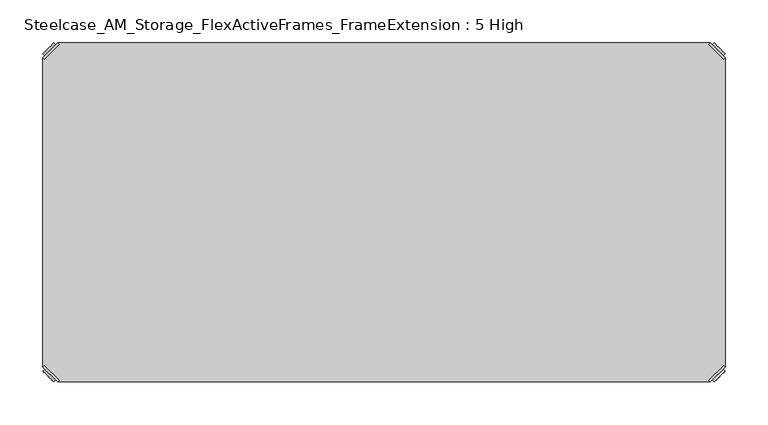
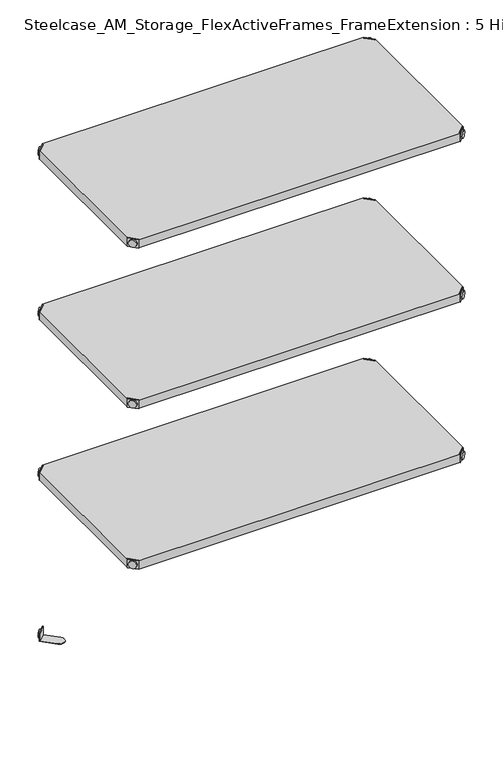
"""IFC4 building model written with IfcOpenShell, lengths in millimetres: furniture geometry, Steelcase_AM_Storage_FlexActiveFrames_FrameExtension : 5 High."""

from ifc_helpers import new_model, si_unit, frame, origin, place, context, project, spatial, polyline, circle_curve, outline, extrude, source, transform, mapped, element, save
from ifc_brep_helpers import plane_surface, cylinder_surface, advanced_brep


def steelcase_am_storage_flexactiveframes_frameextension_5_high_a3974acb(model_context):
    return source(origin(), model_context, "Body", "SolidModel", [
        advanced_brep(
        [(2.54, 380.2870969, 1725.93), (4.3360512, 378.4910456, 1725.93), (21.5589544, 395.7139488, 1725.93), (19.7629031, 397.51, 1725.93), (19.7629031, 397.51, 1704.594), (2.54, 380.2870969, 1704.594), (4.8652723, 382.6123691, 1715.77), (17.4376309, 395.1847277, 1715.77), (30.2920522, 352.5350447, 1705.61), (47.5149553, 369.7579478, 1705.61), (21.5589544, 395.7139488, 1705.61), (4.3360512, 378.4910456, 1705.61), (30.2920522, 352.5350447, 1704.594), (47.5149553, 369.7579478, 1704.594), (15.1227513, 397.4996073, 1715.77), (2.5503927, 384.9272487, 1715.77)],
        [
            (0, 1),
            (1, 2),
            (2, 3),
            (3, 0),
            (3, 4),
            (4, 5),
            (5, 0),
            (6, 7, circle_curve(frame((11.1514516, 388.8985484, 1715.77), z_axis=(0.7071067811865446, -0.7071067811865505, 0.0), x_axis=(-0.7071067811865505, -0.7071067811865446, 0.0)), 8.89)),
            (7, 6, circle_curve(frame((11.1514516, 388.8985484, 1715.77), z_axis=(0.7071067811865446, -0.7071067811865505, 0.0), x_axis=(-0.7071067811865505, -0.7071067811865446, 0.0)), 8.89)),
            (8, 9, circle_curve(frame((38.9035037, 361.1464963, 1705.61), z_axis=(0.0, 0.0, 1.0), x_axis=(1.0, 0.0, 0.0)), 12.1784316)),
            (9, 10),
            (10, 11),
            (11, 8),
            (12, 5),
            (4, 13),
            (13, 12, circle_curve(frame((38.9035037, 361.1464963, 1704.594), z_axis=(0.0, 0.0, -1.0), x_axis=(1.0, 0.0, 0.0)), 12.1784316)),
            (14, 15, circle_curve(frame((8.836572, 391.213428, 1715.77), z_axis=(-0.7071067811865446, 0.7071067811865505, 0.0), x_axis=(-0.7071067811865505, -0.7071067811865446, 0.0)), 8.89)),
            (15, 14, circle_curve(frame((8.836572, 391.213428, 1715.77), z_axis=(-0.7071067811865446, 0.7071067811865505, 0.0), x_axis=(-0.7071067811865505, -0.7071067811865446, 0.0)), 8.89)),
            (14, 7),
            (6, 15),
            (1, 11),
            (10, 2),
            (8, 12),
            (13, 9),
        ],
        [
            plane_surface(frame((-19.6579872, 402.485084, 1725.93), z_axis=(0.0, 0.0, 1.0000000000000002), x_axis=(0.7071067811865436, -0.7071067811865516, 0.0))),
            plane_surface(frame((19.7629031, 397.51, 1725.93), z_axis=(-0.7071067811865447, 0.7071067811865503, 0.0), x_axis=(0.0, 0.0, -1.0))),
            plane_surface(frame((51.0819353, 361.1464963, 1705.61), z_axis=(0.0, 0.0, 1.0), x_axis=(0.0, 1.0, 0.0))),
            plane_surface(frame((51.0819353, 361.1464963, 1704.594), z_axis=(0.0, 0.0, -1.0), x_axis=(0.0, -1.0, 0.0))),
            plane_surface(frame((2.5503927, 384.9272487, 1715.77), z_axis=(-0.7071067811865446, 0.7071067811865505, 0.0), x_axis=(0.0, 0.0, 1.0))),
            cylinder_surface(frame((11.1514516, 388.8985484, 1715.77), z_axis=(-0.7071067811865446, 0.7071067811865505, 0.0), x_axis=(-0.7071067811865505, -0.7071067811865446, 0.0)), 8.89),
            plane_surface(frame((4.3360512, 378.4910456, 1725.93), z_axis=(0.7071067811865447, -0.7071067811865503, 0.0), x_axis=(0.0, 0.0, -1.0))),
            cylinder_surface(frame((38.9035037, 361.1464963, 1704.594), z_axis=(0.0, 0.0, 1.0), x_axis=(1.0, 0.0, 0.0)), 12.1784316),
            plane_surface(frame((2.54, 380.2870969, 1725.93), z_axis=(-0.7071067811865516, -0.7071067811865436, 0.0), x_axis=(0.0, 0.0, -1.0))),
            plane_surface(frame((21.5589544, 395.7139488, 1725.93), z_axis=(0.7071067811865513, 0.7071067811865437, 0.0), x_axis=(0.0, 0.0, -1.0))),
        ],
        [
            (0, [[1, 2, 3, 4]]),
            (1, [[-4, 5, 6, 7], [8, 9]]),
            (2, [[10, 11, 12, 13]]),
            (3, [[14, -6, 15, 16]]),
            (4, [[17, 18]]),
            (5, [[-17, 19, -8, 20]]),
            (5, [[-18, -20, -9, -19]]),
            (6, [[-2, 21, -12, 22]]),
            (7, [[-10, 23, -16, 24]]),
            (8, [[-1, -7, -14, -23, -13, -21]]),
            (9, [[-3, -22, -11, -24, -15, -5]]),
        ],
    ),
        advanced_brep(
        [(797.56, 380.2870969, 1725.93), (780.3370969, 397.51, 1725.93), (778.5410456, 395.7139488, 1725.93), (795.7639488, 378.4910456, 1725.93), (797.56, 380.2870969, 1704.594), (780.3370969, 397.51, 1704.594), (795.2347277, 382.6123691, 1715.77), (782.6623691, 395.1847277, 1715.77), (769.8079478, 352.5350447, 1705.61), (795.7639488, 378.4910456, 1705.61), (778.5410456, 395.7139488, 1705.61), (752.5850447, 369.7579478, 1705.61), (769.8079478, 352.5350447, 1704.594), (752.5850447, 369.7579478, 1704.594), (784.9772487, 397.4996073, 1715.77), (797.5496073, 384.9272487, 1715.77)],
        [
            (0, 1),
            (1, 2),
            (2, 3),
            (3, 0),
            (0, 4),
            (4, 5),
            (5, 1),
            (6, 7, circle_curve(frame((788.9485484, 388.8985484, 1715.77), z_axis=(-0.7071067811865446, -0.7071067811865505, 0.0), x_axis=(0.7071067811865505, -0.7071067811865446, 0.0)), 8.89)),
            (7, 6, circle_curve(frame((788.9485484, 388.8985484, 1715.77), z_axis=(-0.7071067811865446, -0.7071067811865505, 0.0), x_axis=(0.7071067811865505, -0.7071067811865446, 0.0)), 8.89)),
            (8, 9),
            (9, 10),
            (10, 11),
            (11, 8, circle_curve(frame((761.1964963, 361.1464963, 1705.61), z_axis=(0.0, 0.0, 1.0), x_axis=(-1.0, 0.0, 0.0)), 12.1784316)),
            (12, 13, circle_curve(frame((761.1964963, 361.1464963, 1704.594), z_axis=(0.0, 0.0, -1.0), x_axis=(-1.0, 0.0, 0.0)), 12.1784316)),
            (13, 5),
            (4, 12),
            (14, 15, circle_curve(frame((791.263428, 391.213428, 1715.77), z_axis=(0.7071067811865446, 0.7071067811865505, 0.0), x_axis=(0.7071067811865505, -0.7071067811865446, 0.0)), 8.89)),
            (15, 14, circle_curve(frame((791.263428, 391.213428, 1715.77), z_axis=(0.7071067811865446, 0.7071067811865505, 0.0), x_axis=(0.7071067811865505, -0.7071067811865446, 0.0)), 8.89)),
            (15, 6),
            (7, 14),
            (2, 10),
            (9, 3),
            (11, 13),
            (12, 8),
        ],
        [
            plane_surface(frame((819.7579872, 402.485084, 1725.93), z_axis=(0.0, 0.0, 1.0000000000000002), x_axis=(-0.7071067811865436, -0.7071067811865516, 0.0))),
            plane_surface(frame((780.3370969, 397.51, 1725.93), z_axis=(0.7071067811865447, 0.7071067811865503, 0.0), x_axis=(0.0, 0.0, -1.0))),
            plane_surface(frame((749.0180647, 361.1464963, 1705.61), z_axis=(0.0, 0.0, 1.0), x_axis=(0.0, 1.0, 0.0))),
            plane_surface(frame((749.0180647, 361.1464963, 1704.594), z_axis=(0.0, 0.0, -1.0), x_axis=(0.0, -1.0, 0.0))),
            plane_surface(frame((797.5496073, 384.9272487, 1715.77), z_axis=(0.7071067811865446, 0.7071067811865505, 0.0), x_axis=(0.0, 0.0, 1.0))),
            cylinder_surface(frame((788.9485484, 388.8985484, 1715.77), z_axis=(0.7071067811865446, 0.7071067811865505, 0.0), x_axis=(0.7071067811865505, -0.7071067811865446, 0.0)), 8.89),
            plane_surface(frame((795.7639488, 378.4910456, 1725.93), z_axis=(-0.7071067811865447, -0.7071067811865503, 0.0), x_axis=(0.0, 0.0, -1.0))),
            cylinder_surface(frame((761.1964963, 361.1464963, 1704.594), z_axis=(0.0, 0.0, 1.0), x_axis=(-1.0, 0.0, 0.0)), 12.1784316),
            plane_surface(frame((797.56, 380.2870969, 1725.93), z_axis=(0.7071067811865516, -0.7071067811865436, 0.0), x_axis=(0.0, 0.0, -1.0))),
            plane_surface(frame((778.5410456, 395.7139488, 1725.93), z_axis=(-0.7071067811865513, 0.7071067811865437, 0.0), x_axis=(0.0, 0.0, -1.0))),
        ],
        [
            (0, [[1, 2, 3, 4]]),
            (1, [[5, 6, 7, -1], [8, 9]]),
            (2, [[10, 11, 12, 13]]),
            (3, [[14, 15, -6, 16]]),
            (4, [[17, 18]]),
            (5, [[19, -9, 20, -18]]),
            (5, [[-20, -8, -19, -17]]),
            (6, [[21, -11, 22, -3]]),
            (7, [[23, -14, 24, -13]]),
            (8, [[-22, -10, -24, -16, -5, -4]]),
            (9, [[-7, -15, -23, -12, -21, -2]]),
        ],
    ),
        advanced_brep(
        [(797.56, 19.7629031, 1725.93), (795.7639488, 21.5589544, 1725.93), (778.5410456, 4.3360512, 1725.93), (780.3370969, 2.54, 1725.93), (780.3370969, 2.54, 1704.594), (797.56, 19.7629031, 1704.594), (795.2347277, 17.4376309, 1715.77), (782.6623691, 4.8652723, 1715.77), (769.8079478, 47.5149553, 1705.61), (752.5850447, 30.2920522, 1705.61), (778.5410456, 4.3360512, 1705.61), (795.7639488, 21.5589544, 1705.61), (769.8079478, 47.5149553, 1704.594), (752.5850447, 30.2920522, 1704.594), (784.9772487, 2.5503927, 1715.77), (797.5496073, 15.1227513, 1715.77)],
        [
            (0, 1),
            (1, 2),
            (2, 3),
            (3, 0),
            (3, 4),
            (4, 5),
            (5, 0),
            (6, 7, circle_curve(frame((788.9485484, 11.1514516, 1715.77), z_axis=(-0.7071067811865469, 0.7071067811865481, 0.0), x_axis=(0.7071067811865481, 0.7071067811865469, 0.0)), 8.89)),
            (7, 6, circle_curve(frame((788.9485484, 11.1514516, 1715.77), z_axis=(-0.7071067811865469, 0.7071067811865481, 0.0), x_axis=(0.7071067811865481, 0.7071067811865469, 0.0)), 8.89)),
            (8, 9, circle_curve(frame((761.1964963, 38.9035037, 1705.61), z_axis=(0.0, 0.0, 1.0), x_axis=(-1.0, 0.0, 0.0)), 12.1784316)),
            (9, 10),
            (10, 11),
            (11, 8),
            (12, 5),
            (4, 13),
            (13, 12, circle_curve(frame((761.1964963, 38.9035037, 1704.594), z_axis=(0.0, 0.0, -1.0), x_axis=(-1.0, 0.0, 0.0)), 12.1784316)),
            (14, 15, circle_curve(frame((791.263428, 8.836572, 1715.77), z_axis=(0.7071067811865469, -0.7071067811865481, 0.0), x_axis=(0.7071067811865481, 0.7071067811865469, 0.0)), 8.89)),
            (15, 14, circle_curve(frame((791.263428, 8.836572, 1715.77), z_axis=(0.7071067811865469, -0.7071067811865481, 0.0), x_axis=(0.7071067811865481, 0.7071067811865469, 0.0)), 8.89)),
            (14, 7),
            (6, 15),
            (1, 11),
            (10, 2),
            (8, 12),
            (13, 9),
        ],
        [
            plane_surface(frame((819.7579872, -2.435084, 1725.93), z_axis=(0.0, 0.0, 1.0000000000000002), x_axis=(-0.7071067811865459, 0.7071067811865492, 0.0))),
            plane_surface(frame((780.3370969, 2.54, 1725.93), z_axis=(0.707106781186547, -0.707106781186548, 0.0), x_axis=(0.0, 0.0, -1.0))),
            plane_surface(frame((749.0180647, 38.9035037, 1705.61), z_axis=(0.0, 0.0, 1.0), x_axis=(0.0, -1.0, 0.0))),
            plane_surface(frame((749.0180647, 38.9035037, 1704.594), z_axis=(0.0, 0.0, -1.0), x_axis=(0.0, 1.0, 0.0))),
            plane_surface(frame((797.5496073, 15.1227513, 1715.77), z_axis=(0.7071067811865469, -0.7071067811865481, 0.0), x_axis=(0.0, 0.0, 1.0))),
            cylinder_surface(frame((788.9485484, 11.1514516, 1715.77), z_axis=(0.7071067811865469, -0.7071067811865481, 0.0), x_axis=(0.7071067811865481, 0.7071067811865469, 0.0)), 8.89),
            plane_surface(frame((795.7639488, 21.5589544, 1725.93), z_axis=(-0.707106781186547, 0.707106781186548, 0.0), x_axis=(0.0, 0.0, -1.0))),
            cylinder_surface(frame((761.1964963, 38.9035037, 1704.594), z_axis=(0.0, 0.0, 1.0), x_axis=(-1.0, 0.0, 0.0)), 12.1784316),
            plane_surface(frame((797.56, 19.7629031, 1725.93), z_axis=(0.7071067811865492, 0.7071067811865459, 0.0), x_axis=(0.0, 0.0, -1.0))),
            plane_surface(frame((778.5410456, 4.3360512, 1725.93), z_axis=(-0.707106781186549, -0.707106781186546, 0.0), x_axis=(0.0, 0.0, -1.0))),
        ],
        [
            (0, [[1, 2, 3, 4]]),
            (1, [[-4, 5, 6, 7], [8, 9]]),
            (2, [[10, 11, 12, 13]]),
            (3, [[14, -6, 15, 16]]),
            (4, [[17, 18]]),
            (5, [[-17, 19, -8, 20]]),
            (5, [[-18, -20, -9, -19]]),
            (6, [[-2, 21, -12, 22]]),
            (7, [[-10, 23, -16, 24]]),
            (8, [[-1, -7, -14, -23, -13, -21]]),
            (9, [[-3, -22, -11, -24, -15, -5]]),
        ],
    ),
        advanced_brep(
        [(2.54, 19.7629031, 1725.93), (19.7629031, 2.54, 1725.93), (21.5589544, 4.3360512, 1725.93), (4.3360512, 21.5589544, 1725.93), (2.54, 19.7629031, 1704.594), (19.7629031, 2.54, 1704.594), (4.8652723, 17.4376309, 1715.77), (17.4376309, 4.8652723, 1715.77), (30.2920522, 47.5149553, 1705.61), (4.3360512, 21.5589544, 1705.61), (21.5589544, 4.3360512, 1705.61), (47.5149553, 30.2920522, 1705.61), (30.2920522, 47.5149553, 1704.594), (47.5149553, 30.2920522, 1704.594), (15.1227513, 2.5503927, 1715.77), (2.5503927, 15.1227513, 1715.77)],
        [
            (0, 1),
            (1, 2),
            (2, 3),
            (3, 0),
            (0, 4),
            (4, 5),
            (5, 1),
            (6, 7, circle_curve(frame((11.1514516, 11.1514516, 1715.77), z_axis=(0.7071067811865469, 0.7071067811865481, 0.0), x_axis=(-0.7071067811865481, 0.7071067811865469, 0.0)), 8.89)),
            (7, 6, circle_curve(frame((11.1514516, 11.1514516, 1715.77), z_axis=(0.7071067811865469, 0.7071067811865481, 0.0), x_axis=(-0.7071067811865481, 0.7071067811865469, 0.0)), 8.89)),
            (8, 9),
            (9, 10),
            (10, 11),
            (11, 8, circle_curve(frame((38.9035037, 38.9035037, 1705.61), z_axis=(0.0, 0.0, 1.0), x_axis=(1.0, 0.0, 0.0)), 12.1784316)),
            (12, 13, circle_curve(frame((38.9035037, 38.9035037, 1704.594), z_axis=(0.0, 0.0, -1.0), x_axis=(1.0, 0.0, 0.0)), 12.1784316)),
            (13, 5),
            (4, 12),
            (14, 15, circle_curve(frame((8.836572, 8.836572, 1715.77), z_axis=(-0.7071067811865469, -0.7071067811865481, 0.0), x_axis=(-0.7071067811865481, 0.7071067811865469, 0.0)), 8.89)),
            (15, 14, circle_curve(frame((8.836572, 8.836572, 1715.77), z_axis=(-0.7071067811865469, -0.7071067811865481, 0.0), x_axis=(-0.7071067811865481, 0.7071067811865469, 0.0)), 8.89)),
            (15, 6),
            (7, 14),
            (2, 10),
            (9, 3),
            (11, 13),
            (12, 8),
        ],
        [
            plane_surface(frame((-19.6579872, -2.435084, 1725.93), z_axis=(0.0, 0.0, 1.0000000000000002), x_axis=(0.7071067811865459, 0.7071067811865492, 0.0))),
            plane_surface(frame((19.7629031, 2.54, 1725.93), z_axis=(-0.707106781186547, -0.707106781186548, 0.0), x_axis=(0.0, 0.0, -1.0))),
            plane_surface(frame((51.0819353, 38.9035037, 1705.61), z_axis=(0.0, 0.0, 1.0), x_axis=(0.0, -1.0, 0.0))),
            plane_surface(frame((51.0819353, 38.9035037, 1704.594), z_axis=(0.0, 0.0, -1.0), x_axis=(0.0, 1.0, 0.0))),
            plane_surface(frame((2.5503927, 15.1227513, 1715.77), z_axis=(-0.7071067811865469, -0.7071067811865481, 0.0), x_axis=(0.0, 0.0, 1.0))),
            cylinder_surface(frame((11.1514516, 11.1514516, 1715.77), z_axis=(-0.7071067811865469, -0.7071067811865481, 0.0), x_axis=(-0.7071067811865481, 0.7071067811865469, 0.0)), 8.89),
            plane_surface(frame((4.3360512, 21.5589544, 1725.93), z_axis=(0.707106781186547, 0.707106781186548, 0.0), x_axis=(0.0, 0.0, -1.0))),
            cylinder_surface(frame((38.9035037, 38.9035037, 1704.594), z_axis=(0.0, 0.0, 1.0), x_axis=(1.0, 0.0, 0.0)), 12.1784316),
            plane_surface(frame((2.54, 19.7629031, 1725.93), z_axis=(-0.7071067811865492, 0.7071067811865459, 0.0), x_axis=(0.0, 0.0, -1.0))),
            plane_surface(frame((21.5589544, 4.3360512, 1725.93), z_axis=(0.707106781186549, -0.707106781186546, 0.0), x_axis=(0.0, 0.0, -1.0))),
        ],
        [
            (0, [[1, 2, 3, 4]]),
            (1, [[5, 6, 7, -1], [8, 9]]),
            (2, [[10, 11, 12, 13]]),
            (3, [[14, 15, -6, 16]]),
            (4, [[17, 18]]),
            (5, [[19, -9, 20, -18]]),
            (5, [[-20, -8, -19, -17]]),
            (6, [[21, -11, 22, -3]]),
            (7, [[23, -14, 24, -13]]),
            (8, [[-22, -10, -24, -16, -5, -4]]),
            (9, [[-7, -15, -23, -12, -21, -2]]),
        ],
    ),
        extrude(outline(polyline([(19.7629031, 2.54), (21.5589544, 4.3360512), (4.3360512, 21.5589544), (2.54, 19.7629031), (2.54, 380.2870969), (4.3360512, 378.4910456), (21.5589544, 395.7139488), (19.7629031, 397.51), (780.3370969, 397.51), (778.5410456, 395.7139488), (795.7639488, 378.4910456), (797.56, 380.2870969), (797.56, 19.7629031), (795.7639488, 21.5589544), (778.5410456, 4.3360512), (780.3370969, 2.54), (19.7629031, 2.54)])), frame((0.0, 0.0, 1705.61), z_axis=(0.0, 0.0, 1.0), x_axis=(1.0, 0.0, 0.0)), (0.0, 0.0, 1.0), 20.32),
        advanced_brep(
        [(2.54, 380.2870969, 1324.61), (4.3360512, 378.4910456, 1324.61), (21.5589544, 395.7139488, 1324.61), (19.7629031, 397.51, 1324.61), (19.7629031, 397.51, 1303.274), (2.54, 380.2870969, 1303.274), (4.8652723, 382.6123691, 1314.45), (17.4376309, 395.1847277, 1314.45), (30.2920522, 352.5350447, 1304.29), (47.5149553, 369.7579478, 1304.29), (21.5589544, 395.7139488, 1304.29), (4.3360512, 378.4910456, 1304.29), (30.2920522, 352.5350447, 1303.274), (47.5149553, 369.7579478, 1303.274), (15.1227513, 397.4996073, 1314.45), (2.5503927, 384.9272487, 1314.45)],
        [
            (0, 1),
            (1, 2),
            (2, 3),
            (3, 0),
            (3, 4),
            (4, 5),
            (5, 0),
            (6, 7, circle_curve(frame((11.1514516, 388.8985484, 1314.45), z_axis=(0.7071067811865446, -0.7071067811865505, 0.0), x_axis=(-0.7071067811865505, -0.7071067811865446, 0.0)), 8.89)),
            (7, 6, circle_curve(frame((11.1514516, 388.8985484, 1314.45), z_axis=(0.7071067811865446, -0.7071067811865505, 0.0), x_axis=(-0.7071067811865505, -0.7071067811865446, 0.0)), 8.89)),
            (8, 9, circle_curve(frame((38.9035037, 361.1464963, 1304.29), z_axis=(0.0, 0.0, 1.0), x_axis=(1.0, 0.0, 0.0)), 12.1784316)),
            (9, 10),
            (10, 11),
            (11, 8),
            (12, 5),
            (4, 13),
            (13, 12, circle_curve(frame((38.9035037, 361.1464963, 1303.274), z_axis=(0.0, 0.0, -1.0), x_axis=(1.0, 0.0, 0.0)), 12.1784316)),
            (14, 15, circle_curve(frame((8.836572, 391.213428, 1314.45), z_axis=(-0.7071067811865446, 0.7071067811865505, 0.0), x_axis=(-0.7071067811865505, -0.7071067811865446, 0.0)), 8.89)),
            (15, 14, circle_curve(frame((8.836572, 391.213428, 1314.45), z_axis=(-0.7071067811865446, 0.7071067811865505, 0.0), x_axis=(-0.7071067811865505, -0.7071067811865446, 0.0)), 8.89)),
            (14, 7),
            (6, 15),
            (1, 11),
            (10, 2),
            (8, 12),
            (13, 9),
        ],
        [
            plane_surface(frame((-19.6579872, 402.485084, 1324.61), z_axis=(0.0, 0.0, 1.0000000000000002), x_axis=(0.7071067811865436, -0.7071067811865516, 0.0))),
            plane_surface(frame((19.7629031, 397.51, 1324.61), z_axis=(-0.7071067811865447, 0.7071067811865503, 0.0), x_axis=(0.0, 0.0, -1.0))),
            plane_surface(frame((51.0819353, 361.1464963, 1304.29), z_axis=(0.0, 0.0, 1.0), x_axis=(0.0, 1.0, 0.0))),
            plane_surface(frame((51.0819353, 361.1464963, 1303.274), z_axis=(0.0, 0.0, -1.0), x_axis=(0.0, -1.0, 0.0))),
            plane_surface(frame((2.5503927, 384.9272487, 1314.45), z_axis=(-0.7071067811865446, 0.7071067811865505, 0.0), x_axis=(0.0, 0.0, 1.0))),
            cylinder_surface(frame((11.1514516, 388.8985484, 1314.45), z_axis=(-0.7071067811865446, 0.7071067811865505, 0.0), x_axis=(-0.7071067811865505, -0.7071067811865446, 0.0)), 8.89),
            plane_surface(frame((4.3360512, 378.4910456, 1324.61), z_axis=(0.7071067811865447, -0.7071067811865503, 0.0), x_axis=(0.0, 0.0, -1.0))),
            cylinder_surface(frame((38.9035037, 361.1464963, 1303.274), z_axis=(0.0, 0.0, 1.0), x_axis=(1.0, 0.0, 0.0)), 12.1784316),
            plane_surface(frame((2.54, 380.2870969, 1324.61), z_axis=(-0.7071067811865516, -0.7071067811865436, 0.0), x_axis=(0.0, 0.0, -1.0))),
            plane_surface(frame((21.5589544, 395.7139488, 1324.61), z_axis=(0.7071067811865513, 0.7071067811865437, 0.0), x_axis=(0.0, 0.0, -1.0))),
        ],
        [
            (0, [[1, 2, 3, 4]]),
            (1, [[-4, 5, 6, 7], [8, 9]]),
            (2, [[10, 11, 12, 13]]),
            (3, [[14, -6, 15, 16]]),
            (4, [[17, 18]]),
            (5, [[-17, 19, -8, 20]]),
            (5, [[-18, -20, -9, -19]]),
            (6, [[-2, 21, -12, 22]]),
            (7, [[-10, 23, -16, 24]]),
            (8, [[-1, -7, -14, -23, -13, -21]]),
            (9, [[-3, -22, -11, -24, -15, -5]]),
        ],
    ),
        advanced_brep(
        [(797.56, 380.2870969, 1324.61), (780.3370969, 397.51, 1324.61), (778.5410456, 395.7139488, 1324.61), (795.7639488, 378.4910456, 1324.61), (797.56, 380.2870969, 1303.274), (780.3370969, 397.51, 1303.274), (795.2347277, 382.6123691, 1314.45), (782.6623691, 395.1847277, 1314.45), (769.8079478, 352.5350447, 1304.29), (795.7639488, 378.4910456, 1304.29), (778.5410456, 395.7139488, 1304.29), (752.5850447, 369.7579478, 1304.29), (769.8079478, 352.5350447, 1303.274), (752.5850447, 369.7579478, 1303.274), (784.9772487, 397.4996073, 1314.45), (797.5496073, 384.9272487, 1314.45)],
        [
            (0, 1),
            (1, 2),
            (2, 3),
            (3, 0),
            (0, 4),
            (4, 5),
            (5, 1),
            (6, 7, circle_curve(frame((788.9485484, 388.8985484, 1314.45), z_axis=(-0.7071067811865446, -0.7071067811865505, 0.0), x_axis=(0.7071067811865505, -0.7071067811865446, 0.0)), 8.89)),
            (7, 6, circle_curve(frame((788.9485484, 388.8985484, 1314.45), z_axis=(-0.7071067811865446, -0.7071067811865505, 0.0), x_axis=(0.7071067811865505, -0.7071067811865446, 0.0)), 8.89)),
            (8, 9),
            (9, 10),
            (10, 11),
            (11, 8, circle_curve(frame((761.1964963, 361.1464963, 1304.29), z_axis=(0.0, 0.0, 1.0), x_axis=(-1.0, 0.0, 0.0)), 12.1784316)),
            (12, 13, circle_curve(frame((761.1964963, 361.1464963, 1303.274), z_axis=(0.0, 0.0, -1.0), x_axis=(-1.0, 0.0, 0.0)), 12.1784316)),
            (13, 5),
            (4, 12),
            (14, 15, circle_curve(frame((791.263428, 391.213428, 1314.45), z_axis=(0.7071067811865446, 0.7071067811865505, 0.0), x_axis=(0.7071067811865505, -0.7071067811865446, 0.0)), 8.89)),
            (15, 14, circle_curve(frame((791.263428, 391.213428, 1314.45), z_axis=(0.7071067811865446, 0.7071067811865505, 0.0), x_axis=(0.7071067811865505, -0.7071067811865446, 0.0)), 8.89)),
            (15, 6),
            (7, 14),
            (2, 10),
            (9, 3),
            (11, 13),
            (12, 8),
        ],
        [
            plane_surface(frame((819.7579872, 402.485084, 1324.61), z_axis=(0.0, 0.0, 1.0000000000000002), x_axis=(-0.7071067811865436, -0.7071067811865516, 0.0))),
            plane_surface(frame((780.3370969, 397.51, 1324.61), z_axis=(0.7071067811865447, 0.7071067811865503, 0.0), x_axis=(0.0, 0.0, -1.0))),
            plane_surface(frame((749.0180647, 361.1464963, 1304.29), z_axis=(0.0, 0.0, 1.0), x_axis=(0.0, 1.0, 0.0))),
            plane_surface(frame((749.0180647, 361.1464963, 1303.274), z_axis=(0.0, 0.0, -1.0), x_axis=(0.0, -1.0, 0.0))),
            plane_surface(frame((797.5496073, 384.9272487, 1314.45), z_axis=(0.7071067811865446, 0.7071067811865505, 0.0), x_axis=(0.0, 0.0, 1.0))),
            cylinder_surface(frame((788.9485484, 388.8985484, 1314.45), z_axis=(0.7071067811865446, 0.7071067811865505, 0.0), x_axis=(0.7071067811865505, -0.7071067811865446, 0.0)), 8.89),
            plane_surface(frame((795.7639488, 378.4910456, 1324.61), z_axis=(-0.7071067811865447, -0.7071067811865503, 0.0), x_axis=(0.0, 0.0, -1.0))),
            cylinder_surface(frame((761.1964963, 361.1464963, 1303.274), z_axis=(0.0, 0.0, 1.0), x_axis=(-1.0, 0.0, 0.0)), 12.1784316),
            plane_surface(frame((797.56, 380.2870969, 1324.61), z_axis=(0.7071067811865516, -0.7071067811865436, 0.0), x_axis=(0.0, 0.0, -1.0))),
            plane_surface(frame((778.5410456, 395.7139488, 1324.61), z_axis=(-0.7071067811865513, 0.7071067811865437, 0.0), x_axis=(0.0, 0.0, -1.0))),
        ],
        [
            (0, [[1, 2, 3, 4]]),
            (1, [[5, 6, 7, -1], [8, 9]]),
            (2, [[10, 11, 12, 13]]),
            (3, [[14, 15, -6, 16]]),
            (4, [[17, 18]]),
            (5, [[19, -9, 20, -18]]),
            (5, [[-20, -8, -19, -17]]),
            (6, [[21, -11, 22, -3]]),
            (7, [[23, -14, 24, -13]]),
            (8, [[-22, -10, -24, -16, -5, -4]]),
            (9, [[-7, -15, -23, -12, -21, -2]]),
        ],
    ),
        advanced_brep(
        [(797.56, 19.7629031, 1324.61), (795.7639488, 21.5589544, 1324.61), (778.5410456, 4.3360512, 1324.61), (780.3370969, 2.54, 1324.61), (780.3370969, 2.54, 1303.274), (797.56, 19.7629031, 1303.274), (795.2347277, 17.4376309, 1314.45), (782.6623691, 4.8652723, 1314.45), (769.8079478, 47.5149553, 1304.29), (752.5850447, 30.2920522, 1304.29), (778.5410456, 4.3360512, 1304.29), (795.7639488, 21.5589544, 1304.29), (769.8079478, 47.5149553, 1303.274), (752.5850447, 30.2920522, 1303.274), (784.9772487, 2.5503927, 1314.45), (797.5496073, 15.1227513, 1314.45)],
        [
            (0, 1),
            (1, 2),
            (2, 3),
            (3, 0),
            (3, 4),
            (4, 5),
            (5, 0),
            (6, 7, circle_curve(frame((788.9485484, 11.1514516, 1314.45), z_axis=(-0.7071067811865469, 0.7071067811865481, 0.0), x_axis=(0.7071067811865481, 0.7071067811865469, 0.0)), 8.89)),
            (7, 6, circle_curve(frame((788.9485484, 11.1514516, 1314.45), z_axis=(-0.7071067811865469, 0.7071067811865481, 0.0), x_axis=(0.7071067811865481, 0.7071067811865469, 0.0)), 8.89)),
            (8, 9, circle_curve(frame((761.1964963, 38.9035037, 1304.29), z_axis=(0.0, 0.0, 1.0), x_axis=(-1.0, 0.0, 0.0)), 12.1784316)),
            (9, 10),
            (10, 11),
            (11, 8),
            (12, 5),
            (4, 13),
            (13, 12, circle_curve(frame((761.1964963, 38.9035037, 1303.274), z_axis=(0.0, 0.0, -1.0), x_axis=(-1.0, 0.0, 0.0)), 12.1784316)),
            (14, 15, circle_curve(frame((791.263428, 8.836572, 1314.45), z_axis=(0.7071067811865469, -0.7071067811865481, 0.0), x_axis=(0.7071067811865481, 0.7071067811865469, 0.0)), 8.89)),
            (15, 14, circle_curve(frame((791.263428, 8.836572, 1314.45), z_axis=(0.7071067811865469, -0.7071067811865481, 0.0), x_axis=(0.7071067811865481, 0.7071067811865469, 0.0)), 8.89)),
            (14, 7),
            (6, 15),
            (1, 11),
            (10, 2),
            (8, 12),
            (13, 9),
        ],
        [
            plane_surface(frame((819.7579872, -2.435084, 1324.61), z_axis=(0.0, 0.0, 1.0000000000000002), x_axis=(-0.7071067811865459, 0.7071067811865492, 0.0))),
            plane_surface(frame((780.3370969, 2.54, 1324.61), z_axis=(0.707106781186547, -0.707106781186548, 0.0), x_axis=(0.0, 0.0, -1.0))),
            plane_surface(frame((749.0180647, 38.9035037, 1304.29), z_axis=(0.0, 0.0, 1.0), x_axis=(0.0, -1.0, 0.0))),
            plane_surface(frame((749.0180647, 38.9035037, 1303.274), z_axis=(0.0, 0.0, -1.0), x_axis=(0.0, 1.0, 0.0))),
            plane_surface(frame((797.5496073, 15.1227513, 1314.45), z_axis=(0.7071067811865469, -0.7071067811865481, 0.0), x_axis=(0.0, 0.0, 1.0))),
            cylinder_surface(frame((788.9485484, 11.1514516, 1314.45), z_axis=(0.7071067811865469, -0.7071067811865481, 0.0), x_axis=(0.7071067811865481, 0.7071067811865469, 0.0)), 8.89),
            plane_surface(frame((795.7639488, 21.5589544, 1324.61), z_axis=(-0.707106781186547, 0.707106781186548, 0.0), x_axis=(0.0, 0.0, -1.0))),
            cylinder_surface(frame((761.1964963, 38.9035037, 1303.274), z_axis=(0.0, 0.0, 1.0), x_axis=(-1.0, 0.0, 0.0)), 12.1784316),
            plane_surface(frame((797.56, 19.7629031, 1324.61), z_axis=(0.7071067811865492, 0.7071067811865459, 0.0), x_axis=(0.0, 0.0, -1.0))),
            plane_surface(frame((778.5410456, 4.3360512, 1324.61), z_axis=(-0.707106781186549, -0.707106781186546, 0.0), x_axis=(0.0, 0.0, -1.0))),
        ],
        [
            (0, [[1, 2, 3, 4]]),
            (1, [[-4, 5, 6, 7], [8, 9]]),
            (2, [[10, 11, 12, 13]]),
            (3, [[14, -6, 15, 16]]),
            (4, [[17, 18]]),
            (5, [[-17, 19, -8, 20]]),
            (5, [[-18, -20, -9, -19]]),
            (6, [[-2, 21, -12, 22]]),
            (7, [[-10, 23, -16, 24]]),
            (8, [[-1, -7, -14, -23, -13, -21]]),
            (9, [[-3, -22, -11, -24, -15, -5]]),
        ],
    ),
        advanced_brep(
        [(2.54, 19.7629031, 1324.61), (19.7629031, 2.54, 1324.61), (21.5589544, 4.3360512, 1324.61), (4.3360512, 21.5589544, 1324.61), (2.54, 19.7629031, 1303.274), (19.7629031, 2.54, 1303.274), (4.8652723, 17.4376309, 1314.45), (17.4376309, 4.8652723, 1314.45), (30.2920522, 47.5149553, 1304.29), (4.3360512, 21.5589544, 1304.29), (21.5589544, 4.3360512, 1304.29), (47.5149553, 30.2920522, 1304.29), (30.2920522, 47.5149553, 1303.274), (47.5149553, 30.2920522, 1303.274), (15.1227513, 2.5503927, 1314.45), (2.5503927, 15.1227513, 1314.45)],
        [
            (0, 1),
            (1, 2),
            (2, 3),
            (3, 0),
            (0, 4),
            (4, 5),
            (5, 1),
            (6, 7, circle_curve(frame((11.1514516, 11.1514516, 1314.45), z_axis=(0.7071067811865469, 0.7071067811865481, 0.0), x_axis=(-0.7071067811865481, 0.7071067811865469, 0.0)), 8.89)),
            (7, 6, circle_curve(frame((11.1514516, 11.1514516, 1314.45), z_axis=(0.7071067811865469, 0.7071067811865481, 0.0), x_axis=(-0.7071067811865481, 0.7071067811865469, 0.0)), 8.89)),
            (8, 9),
            (9, 10),
            (10, 11),
            (11, 8, circle_curve(frame((38.9035037, 38.9035037, 1304.29), z_axis=(0.0, 0.0, 1.0), x_axis=(1.0, 0.0, 0.0)), 12.1784316)),
            (12, 13, circle_curve(frame((38.9035037, 38.9035037, 1303.274), z_axis=(0.0, 0.0, -1.0), x_axis=(1.0, 0.0, 0.0)), 12.1784316)),
            (13, 5),
            (4, 12),
            (14, 15, circle_curve(frame((8.836572, 8.836572, 1314.45), z_axis=(-0.7071067811865469, -0.7071067811865481, 0.0), x_axis=(-0.7071067811865481, 0.7071067811865469, 0.0)), 8.89)),
            (15, 14, circle_curve(frame((8.836572, 8.836572, 1314.45), z_axis=(-0.7071067811865469, -0.7071067811865481, 0.0), x_axis=(-0.7071067811865481, 0.7071067811865469, 0.0)), 8.89)),
            (15, 6),
            (7, 14),
            (2, 10),
            (9, 3),
            (11, 13),
            (12, 8),
        ],
        [
            plane_surface(frame((-19.6579872, -2.435084, 1324.61), z_axis=(0.0, 0.0, 1.0000000000000002), x_axis=(0.7071067811865459, 0.7071067811865492, 0.0))),
            plane_surface(frame((19.7629031, 2.54, 1324.61), z_axis=(-0.707106781186547, -0.707106781186548, 0.0), x_axis=(0.0, 0.0, -1.0))),
            plane_surface(frame((51.0819353, 38.9035037, 1304.29), z_axis=(0.0, 0.0, 1.0), x_axis=(0.0, -1.0, 0.0))),
            plane_surface(frame((51.0819353, 38.9035037, 1303.274), z_axis=(0.0, 0.0, -1.0), x_axis=(0.0, 1.0, 0.0))),
            plane_surface(frame((2.5503927, 15.1227513, 1314.45), z_axis=(-0.7071067811865469, -0.7071067811865481, 0.0), x_axis=(0.0, 0.0, 1.0))),
            cylinder_surface(frame((11.1514516, 11.1514516, 1314.45), z_axis=(-0.7071067811865469, -0.7071067811865481, 0.0), x_axis=(-0.7071067811865481, 0.7071067811865469, 0.0)), 8.89),
            plane_surface(frame((4.3360512, 21.5589544, 1324.61), z_axis=(0.707106781186547, 0.707106781186548, 0.0), x_axis=(0.0, 0.0, -1.0))),
            cylinder_surface(frame((38.9035037, 38.9035037, 1303.274), z_axis=(0.0, 0.0, 1.0), x_axis=(1.0, 0.0, 0.0)), 12.1784316),
            plane_surface(frame((2.54, 19.7629031, 1324.61), z_axis=(-0.7071067811865492, 0.7071067811865459, 0.0), x_axis=(0.0, 0.0, -1.0))),
            plane_surface(frame((21.5589544, 4.3360512, 1324.61), z_axis=(0.707106781186549, -0.707106781186546, 0.0), x_axis=(0.0, 0.0, -1.0))),
        ],
        [
            (0, [[1, 2, 3, 4]]),
            (1, [[5, 6, 7, -1], [8, 9]]),
            (2, [[10, 11, 12, 13]]),
            (3, [[14, 15, -6, 16]]),
            (4, [[17, 18]]),
            (5, [[19, -9, 20, -18]]),
            (5, [[-20, -8, -19, -17]]),
            (6, [[21, -11, 22, -3]]),
            (7, [[23, -14, 24, -13]]),
            (8, [[-22, -10, -24, -16, -5, -4]]),
            (9, [[-7, -15, -23, -12, -21, -2]]),
        ],
    ),
        extrude(outline(polyline([(19.7629031, 2.54), (21.5589544, 4.3360512), (4.3360512, 21.5589544), (2.54, 19.7629031), (2.54, 380.2870969), (4.3360512, 378.4910456), (21.5589544, 395.7139488), (19.7629031, 397.51), (780.3370969, 397.51), (778.5410456, 395.7139488), (795.7639488, 378.4910456), (797.56, 380.2870969), (797.56, 19.7629031), (795.7639488, 21.5589544), (778.5410456, 4.3360512), (780.3370969, 2.54), (19.7629031, 2.54)])), frame((0.0, 0.0, 1304.29), z_axis=(0.0, 0.0, 1.0), x_axis=(1.0, 0.0, 0.0)), (0.0, 0.0, 1.0), 20.32),
        advanced_brep(
        [(2.54, 380.2870969, 923.29), (4.3360512, 378.4910456, 923.29), (21.5589544, 395.7139488, 923.29), (19.7629031, 397.51, 923.29), (19.7629031, 397.51, 901.954), (2.54, 380.2870969, 901.954), (4.8652723, 382.6123691, 913.13), (17.4376309, 395.1847277, 913.13), (30.2920522, 352.5350447, 902.97), (47.5149553, 369.7579478, 902.97), (21.5589544, 395.7139488, 902.97), (4.3360512, 378.4910456, 902.97), (30.2920522, 352.5350447, 901.954), (47.5149553, 369.7579478, 901.954), (15.1227513, 397.4996073, 913.13), (2.5503927, 384.9272487, 913.13)],
        [
            (0, 1),
            (1, 2),
            (2, 3),
            (3, 0),
            (3, 4),
            (4, 5),
            (5, 0),
            (6, 7, circle_curve(frame((11.1514516, 388.8985484, 913.13), z_axis=(0.7071067811865446, -0.7071067811865505, 0.0), x_axis=(-0.7071067811865505, -0.7071067811865446, 0.0)), 8.89)),
            (7, 6, circle_curve(frame((11.1514516, 388.8985484, 913.13), z_axis=(0.7071067811865446, -0.7071067811865505, 0.0), x_axis=(-0.7071067811865505, -0.7071067811865446, 0.0)), 8.89)),
            (8, 9, circle_curve(frame((38.9035037, 361.1464963, 902.97), z_axis=(0.0, 0.0, 1.0), x_axis=(1.0, 0.0, 0.0)), 12.1784316)),
            (9, 10),
            (10, 11),
            (11, 8),
            (12, 5),
            (4, 13),
            (13, 12, circle_curve(frame((38.9035037, 361.1464963, 901.954), z_axis=(0.0, 0.0, -1.0), x_axis=(1.0, 0.0, 0.0)), 12.1784316)),
            (14, 15, circle_curve(frame((8.836572, 391.213428, 913.13), z_axis=(-0.7071067811865446, 0.7071067811865505, 0.0), x_axis=(-0.7071067811865505, -0.7071067811865446, 0.0)), 8.89)),
            (15, 14, circle_curve(frame((8.836572, 391.213428, 913.13), z_axis=(-0.7071067811865446, 0.7071067811865505, 0.0), x_axis=(-0.7071067811865505, -0.7071067811865446, 0.0)), 8.89)),
            (14, 7),
            (6, 15),
            (1, 11),
            (10, 2),
            (8, 12),
            (13, 9),
        ],
        [
            plane_surface(frame((-19.6579872, 402.485084, 923.29), z_axis=(0.0, 0.0, 1.0000000000000002), x_axis=(0.7071067811865436, -0.7071067811865516, 0.0))),
            plane_surface(frame((19.7629031, 397.51, 923.29), z_axis=(-0.7071067811865447, 0.7071067811865503, 0.0), x_axis=(0.0, 0.0, -1.0))),
            plane_surface(frame((51.0819353, 361.1464963, 902.97), z_axis=(0.0, 0.0, 1.0), x_axis=(0.0, 1.0, 0.0))),
            plane_surface(frame((51.0819353, 361.1464963, 901.954), z_axis=(0.0, 0.0, -1.0), x_axis=(0.0, -1.0, 0.0))),
            plane_surface(frame((2.5503927, 384.9272487, 913.13), z_axis=(-0.7071067811865446, 0.7071067811865505, 0.0), x_axis=(0.0, 0.0, 1.0))),
            cylinder_surface(frame((11.1514516, 388.8985484, 913.13), z_axis=(-0.7071067811865446, 0.7071067811865505, 0.0), x_axis=(-0.7071067811865505, -0.7071067811865446, 0.0)), 8.89),
            plane_surface(frame((4.3360512, 378.4910456, 923.29), z_axis=(0.7071067811865447, -0.7071067811865503, 0.0), x_axis=(0.0, 0.0, -1.0))),
            cylinder_surface(frame((38.9035037, 361.1464963, 901.954), z_axis=(0.0, 0.0, 1.0), x_axis=(1.0, 0.0, 0.0)), 12.1784316),
            plane_surface(frame((2.54, 380.2870969, 923.29), z_axis=(-0.7071067811865516, -0.7071067811865436, 0.0), x_axis=(0.0, 0.0, -1.0))),
            plane_surface(frame((21.5589544, 395.7139488, 923.29), z_axis=(0.7071067811865513, 0.7071067811865437, 0.0), x_axis=(0.0, 0.0, -1.0))),
        ],
        [
            (0, [[1, 2, 3, 4]]),
            (1, [[-4, 5, 6, 7], [8, 9]]),
            (2, [[10, 11, 12, 13]]),
            (3, [[14, -6, 15, 16]]),
            (4, [[17, 18]]),
            (5, [[-17, 19, -8, 20]]),
            (5, [[-18, -20, -9, -19]]),
            (6, [[-2, 21, -12, 22]]),
            (7, [[-10, 23, -16, 24]]),
            (8, [[-1, -7, -14, -23, -13, -21]]),
            (9, [[-3, -22, -11, -24, -15, -5]]),
        ],
    ),
        advanced_brep(
        [(797.56, 380.2870969, 923.29), (780.3370969, 397.51, 923.29), (778.5410456, 395.7139488, 923.29), (795.7639488, 378.4910456, 923.29), (797.56, 380.2870969, 901.954), (780.3370969, 397.51, 901.954), (795.2347277, 382.6123691, 913.13), (782.6623691, 395.1847277, 913.13), (769.8079478, 352.5350447, 902.97), (795.7639488, 378.4910456, 902.97), (778.5410456, 395.7139488, 902.97), (752.5850447, 369.7579478, 902.97), (769.8079478, 352.5350447, 901.954), (752.5850447, 369.7579478, 901.954), (784.9772487, 397.4996073, 913.13), (797.5496073, 384.9272487, 913.13)],
        [
            (0, 1),
            (1, 2),
            (2, 3),
            (3, 0),
            (0, 4),
            (4, 5),
            (5, 1),
            (6, 7, circle_curve(frame((788.9485484, 388.8985484, 913.13), z_axis=(-0.7071067811865446, -0.7071067811865505, 0.0), x_axis=(0.7071067811865505, -0.7071067811865446, 0.0)), 8.89)),
            (7, 6, circle_curve(frame((788.9485484, 388.8985484, 913.13), z_axis=(-0.7071067811865446, -0.7071067811865505, 0.0), x_axis=(0.7071067811865505, -0.7071067811865446, 0.0)), 8.89)),
            (8, 9),
            (9, 10),
            (10, 11),
            (11, 8, circle_curve(frame((761.1964963, 361.1464963, 902.97), z_axis=(0.0, 0.0, 1.0), x_axis=(-1.0, 0.0, 0.0)), 12.1784316)),
            (12, 13, circle_curve(frame((761.1964963, 361.1464963, 901.954), z_axis=(0.0, 0.0, -1.0), x_axis=(-1.0, 0.0, 0.0)), 12.1784316)),
            (13, 5),
            (4, 12),
            (14, 15, circle_curve(frame((791.263428, 391.213428, 913.13), z_axis=(0.7071067811865446, 0.7071067811865505, 0.0), x_axis=(0.7071067811865505, -0.7071067811865446, 0.0)), 8.89)),
            (15, 14, circle_curve(frame((791.263428, 391.213428, 913.13), z_axis=(0.7071067811865446, 0.7071067811865505, 0.0), x_axis=(0.7071067811865505, -0.7071067811865446, 0.0)), 8.89)),
            (15, 6),
            (7, 14),
            (2, 10),
            (9, 3),
            (11, 13),
            (12, 8),
        ],
        [
            plane_surface(frame((819.7579872, 402.485084, 923.29), z_axis=(0.0, 0.0, 1.0000000000000002), x_axis=(-0.7071067811865436, -0.7071067811865516, 0.0))),
            plane_surface(frame((780.3370969, 397.51, 923.29), z_axis=(0.7071067811865447, 0.7071067811865503, 0.0), x_axis=(0.0, 0.0, -1.0))),
            plane_surface(frame((749.0180647, 361.1464963, 902.97), z_axis=(0.0, 0.0, 1.0), x_axis=(0.0, 1.0, 0.0))),
            plane_surface(frame((749.0180647, 361.1464963, 901.954), z_axis=(0.0, 0.0, -1.0), x_axis=(0.0, -1.0, 0.0))),
            plane_surface(frame((797.5496073, 384.9272487, 913.13), z_axis=(0.7071067811865446, 0.7071067811865505, 0.0), x_axis=(0.0, 0.0, 1.0))),
            cylinder_surface(frame((788.9485484, 388.8985484, 913.13), z_axis=(0.7071067811865446, 0.7071067811865505, 0.0), x_axis=(0.7071067811865505, -0.7071067811865446, 0.0)), 8.89),
            plane_surface(frame((795.7639488, 378.4910456, 923.29), z_axis=(-0.7071067811865447, -0.7071067811865503, 0.0), x_axis=(0.0, 0.0, -1.0))),
            cylinder_surface(frame((761.1964963, 361.1464963, 901.954), z_axis=(0.0, 0.0, 1.0), x_axis=(-1.0, 0.0, 0.0)), 12.1784316),
            plane_surface(frame((797.56, 380.2870969, 923.29), z_axis=(0.7071067811865516, -0.7071067811865436, 0.0), x_axis=(0.0, 0.0, -1.0))),
            plane_surface(frame((778.5410456, 395.7139488, 923.29), z_axis=(-0.7071067811865513, 0.7071067811865437, 0.0), x_axis=(0.0, 0.0, -1.0))),
        ],
        [
            (0, [[1, 2, 3, 4]]),
            (1, [[5, 6, 7, -1], [8, 9]]),
            (2, [[10, 11, 12, 13]]),
            (3, [[14, 15, -6, 16]]),
            (4, [[17, 18]]),
            (5, [[19, -9, 20, -18]]),
            (5, [[-20, -8, -19, -17]]),
            (6, [[21, -11, 22, -3]]),
            (7, [[23, -14, 24, -13]]),
            (8, [[-22, -10, -24, -16, -5, -4]]),
            (9, [[-7, -15, -23, -12, -21, -2]]),
        ],
    ),
        advanced_brep(
        [(797.56, 19.7629031, 923.29), (795.7639488, 21.5589544, 923.29), (778.5410456, 4.3360512, 923.29), (780.3370969, 2.54, 923.29), (780.3370969, 2.54, 901.954), (797.56, 19.7629031, 901.954), (795.2347277, 17.4376309, 913.13), (782.6623691, 4.8652723, 913.13), (769.8079478, 47.5149553, 902.97), (752.5850447, 30.2920522, 902.97), (778.5410456, 4.3360512, 902.97), (795.7639488, 21.5589544, 902.97), (769.8079478, 47.5149553, 901.954), (752.5850447, 30.2920522, 901.954), (784.9772487, 2.5503927, 913.13), (797.5496073, 15.1227513, 913.13)],
        [
            (0, 1),
            (1, 2),
            (2, 3),
            (3, 0),
            (3, 4),
            (4, 5),
            (5, 0),
            (6, 7, circle_curve(frame((788.9485484, 11.1514516, 913.13), z_axis=(-0.7071067811865469, 0.7071067811865481, 0.0), x_axis=(0.7071067811865481, 0.7071067811865469, 0.0)), 8.89)),
            (7, 6, circle_curve(frame((788.9485484, 11.1514516, 913.13), z_axis=(-0.7071067811865469, 0.7071067811865481, 0.0), x_axis=(0.7071067811865481, 0.7071067811865469, 0.0)), 8.89)),
            (8, 9, circle_curve(frame((761.1964963, 38.9035037, 902.97), z_axis=(0.0, 0.0, 1.0), x_axis=(-1.0, 0.0, 0.0)), 12.1784316)),
            (9, 10),
            (10, 11),
            (11, 8),
            (12, 5),
            (4, 13),
            (13, 12, circle_curve(frame((761.1964963, 38.9035037, 901.954), z_axis=(0.0, 0.0, -1.0), x_axis=(-1.0, 0.0, 0.0)), 12.1784316)),
            (14, 15, circle_curve(frame((791.263428, 8.836572, 913.13), z_axis=(0.7071067811865469, -0.7071067811865481, 0.0), x_axis=(0.7071067811865481, 0.7071067811865469, 0.0)), 8.89)),
            (15, 14, circle_curve(frame((791.263428, 8.836572, 913.13), z_axis=(0.7071067811865469, -0.7071067811865481, 0.0), x_axis=(0.7071067811865481, 0.7071067811865469, 0.0)), 8.89)),
            (14, 7),
            (6, 15),
            (1, 11),
            (10, 2),
            (8, 12),
            (13, 9),
        ],
        [
            plane_surface(frame((819.7579872, -2.435084, 923.29), z_axis=(0.0, 0.0, 1.0000000000000002), x_axis=(-0.7071067811865459, 0.7071067811865492, 0.0))),
            plane_surface(frame((780.3370969, 2.54, 923.29), z_axis=(0.707106781186547, -0.707106781186548, 0.0), x_axis=(0.0, 0.0, -1.0))),
            plane_surface(frame((749.0180647, 38.9035037, 902.97), z_axis=(0.0, 0.0, 1.0), x_axis=(0.0, -1.0, 0.0))),
            plane_surface(frame((749.0180647, 38.9035037, 901.954), z_axis=(0.0, 0.0, -1.0), x_axis=(0.0, 1.0, 0.0))),
            plane_surface(frame((797.5496073, 15.1227513, 913.13), z_axis=(0.7071067811865469, -0.7071067811865481, 0.0), x_axis=(0.0, 0.0, 1.0))),
            cylinder_surface(frame((788.9485484, 11.1514516, 913.13), z_axis=(0.7071067811865469, -0.7071067811865481, 0.0), x_axis=(0.7071067811865481, 0.7071067811865469, 0.0)), 8.89),
            plane_surface(frame((795.7639488, 21.5589544, 923.29), z_axis=(-0.707106781186547, 0.707106781186548, 0.0), x_axis=(0.0, 0.0, -1.0))),
            cylinder_surface(frame((761.1964963, 38.9035037, 901.954), z_axis=(0.0, 0.0, 1.0), x_axis=(-1.0, 0.0, 0.0)), 12.1784316),
            plane_surface(frame((797.56, 19.7629031, 923.29), z_axis=(0.7071067811865492, 0.7071067811865459, 0.0), x_axis=(0.0, 0.0, -1.0))),
            plane_surface(frame((778.5410456, 4.3360512, 923.29), z_axis=(-0.707106781186549, -0.707106781186546, 0.0), x_axis=(0.0, 0.0, -1.0))),
        ],
        [
            (0, [[1, 2, 3, 4]]),
            (1, [[-4, 5, 6, 7], [8, 9]]),
            (2, [[10, 11, 12, 13]]),
            (3, [[14, -6, 15, 16]]),
            (4, [[17, 18]]),
            (5, [[-17, 19, -8, 20]]),
            (5, [[-18, -20, -9, -19]]),
            (6, [[-2, 21, -12, 22]]),
            (7, [[-10, 23, -16, 24]]),
            (8, [[-1, -7, -14, -23, -13, -21]]),
            (9, [[-3, -22, -11, -24, -15, -5]]),
        ],
    ),
        advanced_brep(
        [(2.54, 19.7629031, 923.29), (19.7629031, 2.54, 923.29), (21.5589544, 4.3360512, 923.29), (4.3360512, 21.5589544, 923.29), (2.54, 19.7629031, 901.954), (19.7629031, 2.54, 901.954), (4.8652723, 17.4376309, 913.13), (17.4376309, 4.8652723, 913.13), (30.2920522, 47.5149553, 902.97), (4.3360512, 21.5589544, 902.97), (21.5589544, 4.3360512, 902.97), (47.5149553, 30.2920522, 902.97), (30.2920522, 47.5149553, 901.954), (47.5149553, 30.2920522, 901.954), (15.1227513, 2.5503927, 913.13), (2.5503927, 15.1227513, 913.13)],
        [
            (0, 1),
            (1, 2),
            (2, 3),
            (3, 0),
            (0, 4),
            (4, 5),
            (5, 1),
            (6, 7, circle_curve(frame((11.1514516, 11.1514516, 913.13), z_axis=(0.7071067811865469, 0.7071067811865481, 0.0), x_axis=(-0.7071067811865481, 0.7071067811865469, 0.0)), 8.89)),
            (7, 6, circle_curve(frame((11.1514516, 11.1514516, 913.13), z_axis=(0.7071067811865469, 0.7071067811865481, 0.0), x_axis=(-0.7071067811865481, 0.7071067811865469, 0.0)), 8.89)),
            (8, 9),
            (9, 10),
            (10, 11),
            (11, 8, circle_curve(frame((38.9035037, 38.9035037, 902.97), z_axis=(0.0, 0.0, 1.0), x_axis=(1.0, 0.0, 0.0)), 12.1784316)),
            (12, 13, circle_curve(frame((38.9035037, 38.9035037, 901.954), z_axis=(0.0, 0.0, -1.0), x_axis=(1.0, 0.0, 0.0)), 12.1784316)),
            (13, 5),
            (4, 12),
            (14, 15, circle_curve(frame((8.836572, 8.836572, 913.13), z_axis=(-0.7071067811865469, -0.7071067811865481, 0.0), x_axis=(-0.7071067811865481, 0.7071067811865469, 0.0)), 8.89)),
            (15, 14, circle_curve(frame((8.836572, 8.836572, 913.13), z_axis=(-0.7071067811865469, -0.7071067811865481, 0.0), x_axis=(-0.7071067811865481, 0.7071067811865469, 0.0)), 8.89)),
            (15, 6),
            (7, 14),
            (2, 10),
            (9, 3),
            (11, 13),
            (12, 8),
        ],
        [
            plane_surface(frame((-19.6579872, -2.435084, 923.29), z_axis=(0.0, 0.0, 1.0000000000000002), x_axis=(0.7071067811865459, 0.7071067811865492, 0.0))),
            plane_surface(frame((19.7629031, 2.54, 923.29), z_axis=(-0.707106781186547, -0.707106781186548, 0.0), x_axis=(0.0, 0.0, -1.0))),
            plane_surface(frame((51.0819353, 38.9035037, 902.97), z_axis=(0.0, 0.0, 1.0), x_axis=(0.0, -1.0, 0.0))),
            plane_surface(frame((51.0819353, 38.9035037, 901.954), z_axis=(0.0, 0.0, -1.0), x_axis=(0.0, 1.0, 0.0))),
            plane_surface(frame((2.5503927, 15.1227513, 913.13), z_axis=(-0.7071067811865469, -0.7071067811865481, 0.0), x_axis=(0.0, 0.0, 1.0))),
            cylinder_surface(frame((11.1514516, 11.1514516, 913.13), z_axis=(-0.7071067811865469, -0.7071067811865481, 0.0), x_axis=(-0.7071067811865481, 0.7071067811865469, 0.0)), 8.89),
            plane_surface(frame((4.3360512, 21.5589544, 923.29), z_axis=(0.707106781186547, 0.707106781186548, 0.0), x_axis=(0.0, 0.0, -1.0))),
            cylinder_surface(frame((38.9035037, 38.9035037, 901.954), z_axis=(0.0, 0.0, 1.0), x_axis=(1.0, 0.0, 0.0)), 12.1784316),
            plane_surface(frame((2.54, 19.7629031, 923.29), z_axis=(-0.7071067811865492, 0.7071067811865459, 0.0), x_axis=(0.0, 0.0, -1.0))),
            plane_surface(frame((21.5589544, 4.3360512, 923.29), z_axis=(0.707106781186549, -0.707106781186546, 0.0), x_axis=(0.0, 0.0, -1.0))),
        ],
        [
            (0, [[1, 2, 3, 4]]),
            (1, [[5, 6, 7, -1], [8, 9]]),
            (2, [[10, 11, 12, 13]]),
            (3, [[14, 15, -6, 16]]),
            (4, [[17, 18]]),
            (5, [[19, -9, 20, -18]]),
            (5, [[-20, -8, -19, -17]]),
            (6, [[21, -11, 22, -3]]),
            (7, [[23, -14, 24, -13]]),
            (8, [[-22, -10, -24, -16, -5, -4]]),
            (9, [[-7, -15, -23, -12, -21, -2]]),
        ],
    ),
        extrude(outline(polyline([(19.7629031, 2.54), (21.5589544, 4.3360512), (4.3360512, 21.5589544), (2.54, 19.7629031), (2.54, 380.2870969), (4.3360512, 378.4910456), (21.5589544, 395.7139488), (19.7629031, 397.51), (780.3370969, 397.51), (778.5410456, 395.7139488), (795.7639488, 378.4910456), (797.56, 380.2870969), (797.56, 19.7629031), (795.7639488, 21.5589544), (778.5410456, 4.3360512), (780.3370969, 2.54), (19.7629031, 2.54)])), frame((0.0, 0.0, 902.97), z_axis=(0.0, 0.0, 1.0), x_axis=(1.0, 0.0, 0.0)), (0.0, 0.0, 1.0), 20.32),
        advanced_brep(
        [(2.54, 380.2870969, 520.2936), (4.3360512, 378.4910456, 520.2936), (21.5589544, 395.7139488, 520.2936), (19.7629031, 397.51, 520.2936), (19.7629031, 397.51, 498.9576), (2.54, 380.2870969, 498.9576), (4.8652723, 382.6123691, 510.1336), (17.4376309, 395.1847277, 510.1336), (30.2920522, 352.5350447, 499.9736), (47.5149553, 369.7579478, 499.9736), (21.5589544, 395.7139488, 499.9736), (4.3360512, 378.4910456, 499.9736), (30.2920522, 352.5350447, 498.9576), (47.5149553, 369.7579478, 498.9576), (15.1227513, 397.4996073, 510.1336), (2.5503927, 384.9272487, 510.1336)],
        [
            (0, 1),
            (1, 2),
            (2, 3),
            (3, 0),
            (3, 4),
            (4, 5),
            (5, 0),
            (6, 7, circle_curve(frame((11.1514516, 388.8985484, 510.1336), z_axis=(0.7071067811865446, -0.7071067811865505, 0.0), x_axis=(-0.7071067811865505, -0.7071067811865446, 0.0)), 8.89)),
            (7, 6, circle_curve(frame((11.1514516, 388.8985484, 510.1336), z_axis=(0.7071067811865446, -0.7071067811865505, 0.0), x_axis=(-0.7071067811865505, -0.7071067811865446, 0.0)), 8.89)),
            (8, 9, circle_curve(frame((38.9035037, 361.1464963, 499.9736), z_axis=(0.0, 0.0, 1.0), x_axis=(1.0, 0.0, 0.0)), 12.1784316)),
            (9, 10),
            (10, 11),
            (11, 8),
            (12, 5),
            (4, 13),
            (13, 12, circle_curve(frame((38.9035037, 361.1464963, 498.9576), z_axis=(0.0, 0.0, -1.0), x_axis=(1.0, 0.0, 0.0)), 12.1784316)),
            (14, 15, circle_curve(frame((8.836572, 391.213428, 510.1336), z_axis=(-0.7071067811865446, 0.7071067811865505, 0.0), x_axis=(-0.7071067811865505, -0.7071067811865446, 0.0)), 8.89)),
            (15, 14, circle_curve(frame((8.836572, 391.213428, 510.1336), z_axis=(-0.7071067811865446, 0.7071067811865505, 0.0), x_axis=(-0.7071067811865505, -0.7071067811865446, 0.0)), 8.89)),
            (14, 7),
            (6, 15),
            (1, 11),
            (10, 2),
            (8, 12),
            (13, 9),
        ],
        [
            plane_surface(frame((-19.6579872, 402.485084, 520.2936), z_axis=(0.0, 0.0, 1.0000000000000002), x_axis=(0.7071067811865436, -0.7071067811865516, 0.0))),
            plane_surface(frame((19.7629031, 397.51, 520.2936), z_axis=(-0.7071067811865447, 0.7071067811865503, 0.0), x_axis=(0.0, 0.0, -1.0))),
            plane_surface(frame((51.0819353, 361.1464963, 499.9736), z_axis=(0.0, 0.0, 1.0), x_axis=(0.0, 1.0, 0.0))),
            plane_surface(frame((51.0819353, 361.1464963, 498.9576), z_axis=(0.0, 0.0, -1.0), x_axis=(0.0, -1.0, 0.0))),
            plane_surface(frame((2.5503927, 384.9272487, 510.1336), z_axis=(-0.7071067811865446, 0.7071067811865505, 0.0), x_axis=(0.0, 0.0, 1.0))),
            cylinder_surface(frame((11.1514516, 388.8985484, 510.1336), z_axis=(-0.7071067811865446, 0.7071067811865505, 0.0), x_axis=(-0.7071067811865505, -0.7071067811865446, 0.0)), 8.89),
            plane_surface(frame((4.3360512, 378.4910456, 520.2936), z_axis=(0.7071067811865447, -0.7071067811865503, 0.0), x_axis=(0.0, 0.0, -1.0))),
            cylinder_surface(frame((38.9035037, 361.1464963, 498.9576), z_axis=(0.0, 0.0, 1.0), x_axis=(1.0, 0.0, 0.0)), 12.1784316),
            plane_surface(frame((2.54, 380.2870969, 520.2936), z_axis=(-0.7071067811865516, -0.7071067811865436, 0.0), x_axis=(0.0, 0.0, -1.0))),
            plane_surface(frame((21.5589544, 395.7139488, 520.2936), z_axis=(0.7071067811865513, 0.7071067811865437, 0.0), x_axis=(0.0, 0.0, -1.0))),
        ],
        [
            (0, [[1, 2, 3, 4]]),
            (1, [[-4, 5, 6, 7], [8, 9]]),
            (2, [[10, 11, 12, 13]]),
            (3, [[14, -6, 15, 16]]),
            (4, [[17, 18]]),
            (5, [[-17, 19, -8, 20]]),
            (5, [[-18, -20, -9, -19]]),
            (6, [[-2, 21, -12, 22]]),
            (7, [[-10, 23, -16, 24]]),
            (8, [[-1, -7, -14, -23, -13, -21]]),
            (9, [[-3, -22, -11, -24, -15, -5]]),
        ],
    ),
    ])


if __name__ == "__main__":
    model = new_model("IFC4")
    model_context = context("Model", 3, world=origin())
    ifc_project = project(units=[si_unit("LENGTHUNIT", "METRE", prefix="MILLI")], contexts=[model_context])
    site = spatial("IfcSite", under=ifc_project)
    building = spatial("IfcBuilding", under=site)
    placement = place(None, origin())
    steelcase_am_storage_flexactiveframes_frameextension_5_high_shape = steelcase_am_storage_flexactiveframes_frameextension_5_high_a3974acb(model_context)
    element("IfcFurniture", 1, ObjectType="Steelcase_AM_Storage_FlexActiveFrames_FrameExtension : 5 High", at=placement, inside=building, context=model_context, shape_type="MappedRepresentation", body=[
        mapped(steelcase_am_storage_flexactiveframes_frameextension_5_high_shape, transform((0.0, 0.0, 0.0), x_axis=(1.0, 0.0, 0.0), y_axis=(0.0, 1.0, 0.0), z_axis=(0.0, 0.0, 1.0))),
    ])
    save(model, "model.ifc")
